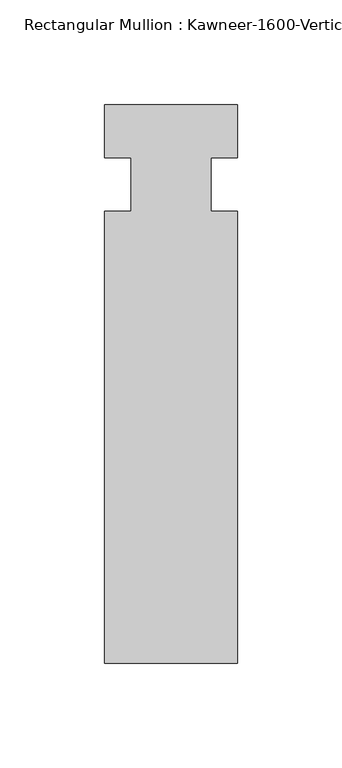
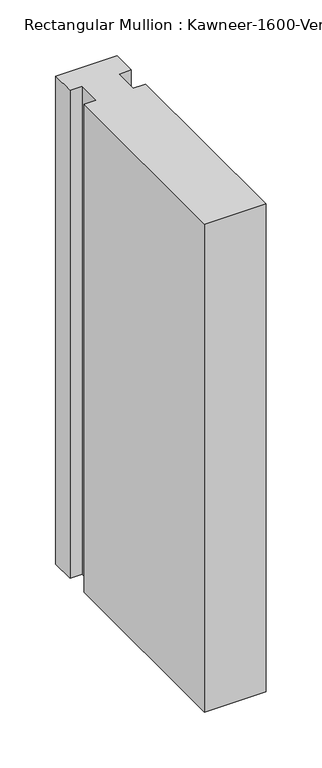
"""IFC4 building model written with IfcOpenShell, lengths in millimetres: member geometry."""

from ifc_helpers import new_model, si_unit, frame, origin, place, context, project, spatial, polyline, outline, extrude, source, transform, mapped, element, save


def member_62466f73(model_context):
    return source(origin(), model_context, "Body", "SweptSolid", [
        extrude(outline(polyline([(31.75, -228.6), (-31.75, -228.6), (-31.75, -12.7), (-19.05, -12.7), (-19.05, 12.7), (-31.75, 12.7), (-31.75, 38.1), (31.75, 38.1), (31.75, 12.7), (19.05, 12.7), (19.05, -12.7), (31.75, -12.7), (31.75, -228.6)])), frame((0.0, 0.0, -533.4), z_axis=(0.0, 0.0, 1.0), x_axis=(1.0, 0.0, 0.0)), (0.0, 0.0, 1.0), 533.4),
    ])


if __name__ == "__main__":
    model = new_model("IFC4")
    model_context = context("Model", 3, world=origin())
    ifc_project = project(units=[si_unit("LENGTHUNIT", "METRE", prefix="MILLI")], contexts=[model_context])
    site = spatial("IfcSite", under=ifc_project)
    building = spatial("IfcBuilding", under=site)
    placement = place(None, origin())
    member_shape = member_62466f73(model_context)
    element("IfcMember", 1, ObjectType="Rectangular Mullion : Kawneer-1600-Vertical_Interior-System1-10_1/2\"-1\"Infill", at=placement, inside=building, context=model_context, shape_type="MappedRepresentation", body=[
        mapped(member_shape, transform((0.0, 0.0, 0.0), x_axis=(1.0, 0.0, 0.0), y_axis=(0.0, 1.0, 0.0), z_axis=(0.0, 0.0, 1.0))),
    ])
    save(model, "model.ifc")
